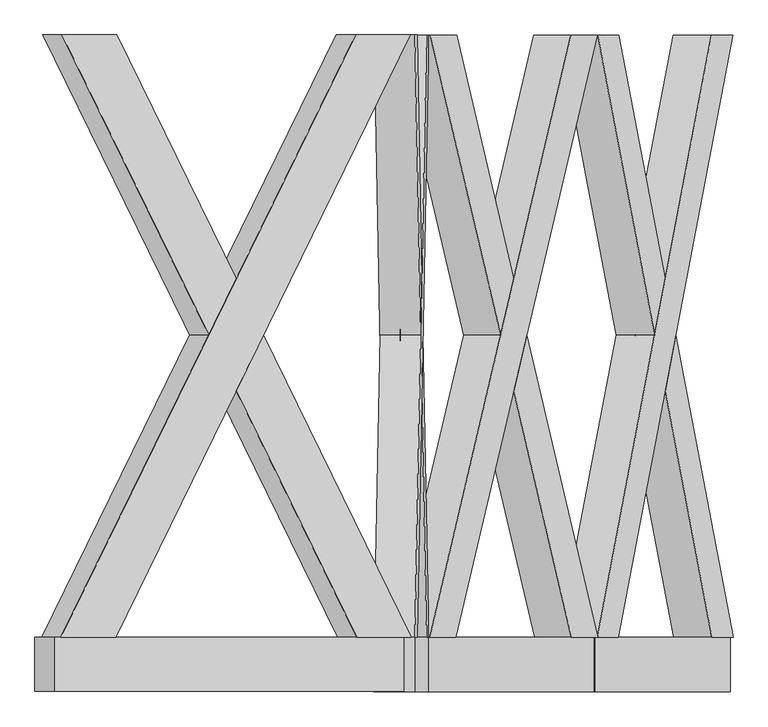
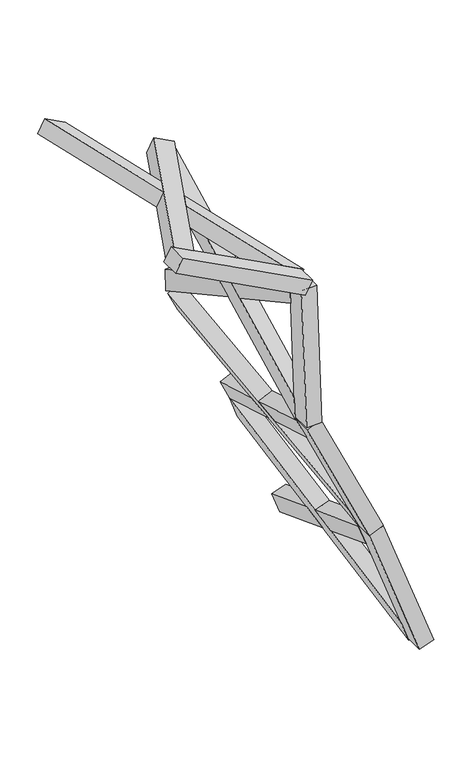
"""IFC4 building model written with IfcOpenShell, lengths in millimetres: proxy geometry."""

from ifc_helpers import new_model, si_unit, frame, origin, place, context, project, spatial, polyline, outline, extrude, faceted_brep, source, transform, mapped, element, save


def generic_models_4cb514d5(model_context):
    return source(origin(), model_context, "Body", "SolidModel", [
        faceted_brep([(-2396.4090271, 100.0, 4892.7293472), (-2194.5046827, 100.0, 4785.374903), (-1108.1340803, 2319.6837757, 4207.7414074), (-1310.0384247, 2319.6837757, 4315.0958516), (-1178.5548147, 2319.6837757, 4075.2992685), (-1719.6468466, 1214.1188776, 4363.0030052), (-1820.5990188, 1420.3854116, 4416.6802274), (-1380.4591591, 2319.6837757, 4182.6537127), (-2466.8297615, 100.0, 4760.2872083), (-1921.551191, 1214.1188776, 4470.3574495), (-1820.5990188, 1007.8523437, 4416.6802274), (-2264.9254171, 100.0, 4652.9327641), (-1785.3886516, 1007.8523437, 4482.9012968), (-1684.4364794, 1214.1188776, 4429.2240747), (-1785.3886516, 1420.3854116, 4482.9012968), (-1886.3408238, 1214.1188776, 4536.5785189)], [[[0, 1, 2, 3]], [[4, 5, 6, 7]], [[8, 9, 10, 11]], [[0, 8, 11, 1]], [[1, 11, 10, 12, 13, 5, 4, 2]], [[2, 4, 7, 3]], [[3, 7, 6, 14, 15, 9, 8, 0]], [[13, 12, 15, 14]], [[12, 10, 9, 15]], [[14, 6, 5, 13]]]),
        faceted_brep([(-1103.9475416, 100.0, 4205.5153853), (-1649.2261122, 1214.1188776, 4495.4451442), (-1750.1782844, 1007.8523437, 4549.1223663), (-1305.851886, 100.0, 4312.8698296), (-2392.2224885, 2319.6837757, 4890.5033251), (-1851.1304566, 1214.1188776, 4602.7995884), (-1750.1782844, 1420.3854116, 4549.1223663), (-2190.3181441, 2319.6837757, 4783.1488809), (-1174.3682761, 100.0, 4073.0732464), (-1376.2726205, 100.0, 4180.4276906), (-2462.6432229, 2319.6837757, 4758.0611862), (-2260.7388785, 2319.6837757, 4650.706742), (-1785.3886516, 1007.8523437, 4482.9012968), (-1886.3408238, 1214.1188776, 4536.5785189), (-1785.3886516, 1420.3854116, 4482.9012968), (-1684.4364794, 1214.1188776, 4429.2240747)], [[[0, 1, 2, 3]], [[4, 5, 6, 7]], [[8, 9, 10, 11]], [[3, 9, 8, 0]], [[9, 3, 2, 12, 13, 5, 4, 10]], [[7, 11, 10, 4]], [[11, 7, 6, 14, 15, 1, 0, 8]], [[13, 12, 15, 14]], [[12, 2, 1, 15]], [[14, 6, 5, 13]]]),
        extrude(outline(polyline([(0.0, 200.0), (1460.0, 200.0), (1460.0, 0.0), (0.0, 0.0), (0.0, 200.0)])), frame((-2491.6391894, -100.0, 4773.4786151), z_axis=(0.46947156278589564, 0.0, 0.8829475928589243), x_axis=(0.8829475928589243, 0.0, -0.46947156278589564)), (0.0, 0.0, 1.0), 150.0),
        faceted_brep([(-1091.390404, 100.0, 4128.807367), (-1083.4099077, 100.0, 3900.2758535), (-1040.4698878, 2319.6837757, 2670.6345661), (-1048.4503841, 2319.6837757, 2899.1660796), (-1190.3785118, 2319.6837757, 2665.3996416), (-1211.765783, 1214.1188776, 3277.8509553), (-1215.7560311, 1420.3854116, 3392.1167121), (-1198.3590081, 2319.6837757, 2893.931155), (-1241.2990281, 100.0, 4123.5724425), (-1219.7462793, 1214.1188776, 3506.3824688), (-1215.7560311, 1007.8523437, 3392.1167121), (-1233.3185318, 100.0, 3895.040929), (-1140.8017191, 1007.8523437, 3394.7341743), (-1136.8114709, 1214.1188776, 3280.4684176), (-1140.8017191, 1420.3854116, 3394.7341743), (-1144.7919672, 1214.1188776, 3508.9999311)], [[[0, 1, 2, 3]], [[4, 5, 6, 7]], [[8, 9, 10, 11]], [[0, 8, 11, 1]], [[1, 11, 10, 12, 13, 5, 4, 2]], [[2, 4, 7, 3]], [[3, 7, 6, 14, 15, 9, 8, 0]], [[13, 12, 15, 14]], [[12, 10, 9, 15]], [[14, 6, 5, 13]]]),
        faceted_brep([(-1040.3044101, 100.0, 2665.8959062), (-1061.8571589, 1214.1188776, 3283.0858798), (-1065.8474071, 1007.8523437, 3397.3516366), (-1048.2849064, 100.0, 2894.4274197), (-1091.2249264, 2319.6837757, 4124.0687071), (-1069.8376552, 1214.1188776, 3511.6173933), (-1065.8474071, 1420.3854116, 3397.3516366), (-1083.2444301, 2319.6837757, 3895.5371936), (-1190.2130342, 100.0, 2660.6609817), (-1198.1935305, 100.0, 2889.1924952), (-1241.1335504, 2319.6837757, 4118.8337826), (-1233.1530541, 2319.6837757, 3890.3022691), (-1140.8017191, 1007.8523437, 3394.7341743), (-1144.7919672, 1214.1188776, 3508.9999311), (-1140.8017191, 1420.3854116, 3394.7341743), (-1136.8114709, 1214.1188776, 3280.4684176)], [[[0, 1, 2, 3]], [[4, 5, 6, 7]], [[8, 9, 10, 11]], [[3, 9, 8, 0]], [[9, 3, 2, 12, 13, 5, 4, 10]], [[7, 11, 10, 4]], [[11, 7, 6, 14, 15, 1, 0, 8]], [[13, 12, 15, 14]], [[12, 2, 1, 15]], [[14, 6, 5, 13]]]),
        extrude(outline(polyline([(-148.3871943, 0.0), (-348.3871943, 0.0), (-348.3871943, 149.9999999), (-148.3871943, 149.9999999), (-148.3871943, 0.0)])), frame((-1041.4177594, 248.3871943, 2697.7780577), z_axis=(-0.034899496702496535, 0.0, 0.999390827019096), x_axis=(0.0, 1.0, 0.0)), (0.0, 0.0, 1.0), 1460.0),
        faceted_brep([(-1036.5240841, 100.0, 2701.3911528), (-939.8836223, 100.0, 2494.1450138), (-419.8979977, 2319.6837757, 1379.0322432), (-516.5384594, 2319.6837757, 1586.2783822), (-555.8441658, 2319.6837757, 1315.6395039), (-814.8350456, 1214.1188776, 1871.0472381), (-863.1552765, 1420.3854116, 1974.6703076), (-652.4846275, 2319.6837757, 1522.8856429), (-1172.4702521, 100.0, 2637.9984135), (-911.4755074, 1214.1188776, 2078.2933771), (-863.1552765, 1007.8523437, 1974.6703076), (-1075.8297904, 100.0, 2430.7522745), (-795.1821925, 1007.8523437, 2006.3666773), (-746.8619616, 1214.1188776, 1902.7436078), (-795.1821925, 1420.3854116, 2006.3666773), (-843.5024233, 1214.1188776, 2109.9897468)], [[[0, 1, 2, 3]], [[4, 5, 6, 7]], [[8, 9, 10, 11]], [[0, 8, 11, 1]], [[1, 11, 10, 12, 13, 5, 4, 2]], [[2, 4, 7, 3]], [[3, 7, 6, 14, 15, 9, 8, 0]], [[13, 12, 15, 14]], [[12, 10, 9, 15]], [[14, 6, 5, 13]]]),
        faceted_brep([(-417.8941328, 100.0, 1374.734941), (-678.8888776, 1214.1188776, 1934.4399774), (-727.2091084, 1007.8523437, 2038.0630469), (-514.5345945, 100.0, 1581.98108), (-1034.5202192, 2319.6837757, 2697.0938507), (-775.5293393, 1214.1188776, 2141.6861164), (-727.2091084, 1420.3854116, 2038.0630469), (-937.8797575, 2319.6837757, 2489.8477116), (-553.8403009, 100.0, 1311.3422018), (-650.4807626, 100.0, 1518.5883408), (-1170.4663872, 2319.6837757, 2633.7011114), (-1073.8259255, 2319.6837757, 2426.4549724), (-795.1821925, 1007.8523437, 2006.3666773), (-843.5024233, 1214.1188776, 2109.9897468), (-795.1821925, 1420.3854116, 2006.3666773), (-746.8619616, 1214.1188776, 1902.7436078)], [[[0, 1, 2, 3]], [[4, 5, 6, 7]], [[8, 9, 10, 11]], [[3, 9, 8, 0]], [[9, 3, 2, 12, 13, 5, 4, 10]], [[7, 11, 10, 4]], [[11, 7, 6, 14, 15, 1, 0, 8]], [[13, 12, 15, 14]], [[12, 2, 1, 15]], [[14, 6, 5, 13]]]),
        extrude(outline(polyline([(-148.3871943, 0.0), (-348.3871943, 0.0), (-348.3871943, 150.0000001), (-148.3871943, 150.0000001), (-148.3871943, 0.0)])), frame((-431.3763252, 248.3871943, 1403.647596), z_axis=(-0.4226182617406977, 0.0, 0.9063077870366509), x_axis=(0.0, 1.0, 0.0)), (0.0, 0.0, 1.0), 1460.0),
        faceted_brep([(-419.2622388, 100.0, 1371.1988639), (-341.0522144, 100.0, 1156.3185878), (79.7662262, 2319.6837757, 0.1294246), (1.5562018, 2319.6837757, 215.0097007), (-61.1876669, 2319.6837757, -51.1735969), (-270.7860347, 1214.1188776, 524.6931857), (-309.8910469, 1420.3854116, 632.1333238), (-139.3976913, 2319.6837757, 163.7066792), (-560.2161319, 100.0, 1319.8958424), (-348.9960591, 1214.1188776, 739.5734619), (-309.8910469, 1007.8523437, 632.1333238), (-482.0061075, 100.0, 1105.0155663), (-239.4141003, 1007.8523437, 657.7848346), (-200.3090881, 1214.1188776, 550.3446965), (-239.4141003, 1420.3854116, 657.7848346), (-278.5191125, 1214.1188776, 765.2249726)], [[[0, 1, 2, 3]], [[4, 5, 6, 7]], [[8, 9, 10, 11]], [[0, 8, 11, 1]], [[1, 11, 10, 12, 13, 5, 4, 2]], [[2, 4, 7, 3]], [[3, 7, 6, 14, 15, 9, 8, 0]], [[13, 12, 15, 14]], [[12, 10, 9, 15]], [[14, 6, 5, 13]]]),
        faceted_brep([(81.3879313, 100.0, -4.3261733), (-129.8321416, 1214.1188776, 575.9962072), (-168.9371538, 1007.8523437, 683.4363453), (3.1779068, 100.0, 210.5541028), (-417.6405338, 2319.6837757, 1366.743266), (-208.042166, 1214.1188776, 790.8764834), (-168.9371538, 1420.3854116, 683.4363453), (-339.4305093, 2319.6837757, 1151.8629899), (-59.5659619, 100.0, -55.6291948), (-137.7759863, 100.0, 159.2510813), (-558.5944269, 2319.6837757, 1315.4402445), (-480.3844025, 2319.6837757, 1100.5599684), (-239.4141003, 1007.8523437, 657.7848346), (-278.5191125, 1214.1188776, 765.2249726), (-239.4141003, 1420.3854116, 657.7848346), (-200.3090881, 1214.1188776, 550.3446965)], [[[0, 1, 2, 3]], [[4, 5, 6, 7]], [[8, 9, 10, 11]], [[3, 9, 8, 0]], [[9, 3, 2, 12, 13, 5, 4, 10]], [[7, 11, 10, 4]], [[11, 7, 6, 14, 15, 1, 0, 8]], [[13, 12, 15, 14]], [[12, 2, 1, 15]], [[14, 6, 5, 13]]]),
        extrude(outline(polyline([(-148.3871943, 0.0), (-348.3871943, 0.0), (-348.3871943, 150.0), (-148.3871943, 150.0), (-148.3871943, 0.0)])), frame((70.4769466, 248.3871943, 25.6515107), z_axis=(-0.34202014332566694, 0.0, 0.9396926207859091), x_axis=(0.0, 1.0, 0.0)), (0.0, 0.0, 1.0), 1460.0),
    ])


if __name__ == "__main__":
    model = new_model("IFC4")
    model_context = context("Model", 3, world=origin())
    ifc_project = project(units=[si_unit("LENGTHUNIT", "METRE", prefix="MILLI")], contexts=[model_context])
    site = spatial("IfcSite", under=ifc_project)
    building = spatial("IfcBuilding", under=site)
    placement = place(None, origin())
    generic_models_shape = generic_models_4cb514d5(model_context)
    element("IfcBuildingElementProxy", 1, Name="Generic Models", at=placement, inside=building, context=model_context, shape_type="MappedRepresentation", body=[
        mapped(generic_models_shape, transform((0.0, 0.0, 0.0), x_axis=(1.0, 0.0, 0.0), y_axis=(0.0, 1.0, 0.0), z_axis=(0.0, 0.0, 1.0))),
    ])
    save(model, "model.ifc")
